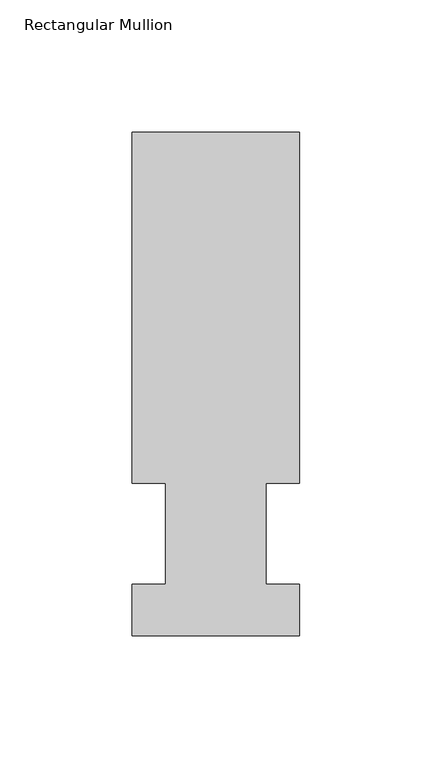
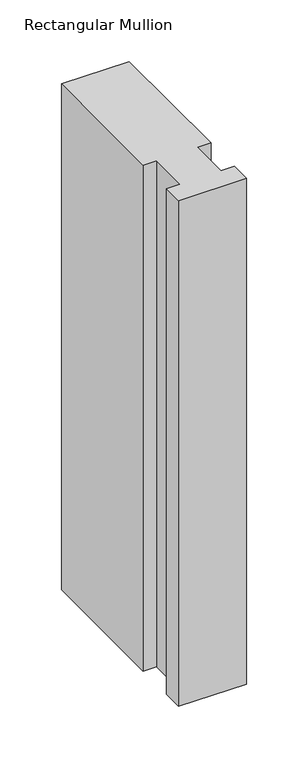
"""IFC4 building model written with IfcOpenShell, lengths in millimetres: member geometry, Rectangular Mullion."""

from ifc_helpers import new_model, si_unit, frame, origin, place, context, project, spatial, polyline, outline, extrude, source, transform, mapped, element, save


def rectangular_mullion_f3d19070(model_context):
    return source(origin(), model_context, "Body", "SweptSolid", [
        extrude(outline(polyline([(-63.5, 190.5896938), (0.0, 190.5896938), (0.0, 57.6460937), (-12.6873, 57.6460937), (-12.6873, 19.5460938), (0.0, 19.5460938), (0.0, 0.0134938), (-63.5, 0.0134938), (-63.5, 19.5460938), (-50.8, 19.5460938), (-50.8, 57.6460937), (-63.5, 57.6460937), (-63.5, 190.5896938)])), frame((0.0, 0.0, -501.65), z_axis=(0.0, 0.0, 1.0), x_axis=(1.0, 0.0, 0.0)), (0.0, 0.0, 1.0), 501.65),
    ])


if __name__ == "__main__":
    model = new_model("IFC4")
    model_context = context("Model", 3, world=origin())
    ifc_project = project(units=[si_unit("LENGTHUNIT", "METRE", prefix="MILLI")], contexts=[model_context])
    site = spatial("IfcSite", under=ifc_project)
    building = spatial("IfcBuilding", under=site)
    placement = place(None, origin())
    rectangular_mullion_shape = rectangular_mullion_f3d19070(model_context)
    element("IfcMember", 1, ObjectType="Rectangular Mullion", at=placement, inside=building, context=model_context, shape_type="MappedRepresentation", body=[
        mapped(rectangular_mullion_shape, transform((0.0, 0.0, 0.0), x_axis=(1.0, 0.0, 0.0), y_axis=(0.0, 1.0, 0.0), z_axis=(0.0, 0.0, 1.0))),
    ])
    save(model, "model.ifc")
